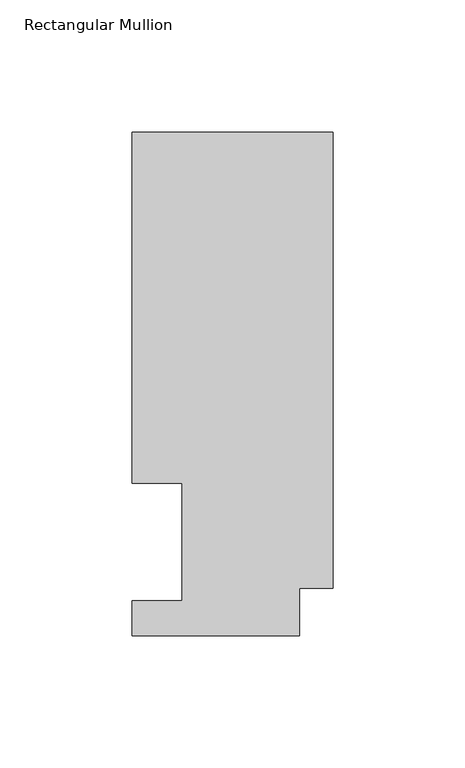
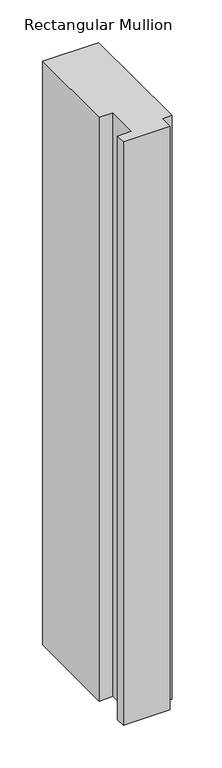
"""IFC4 building model written with IfcOpenShell, lengths in millimetres: member geometry, Rectangular Mullion."""

from ifc_helpers import new_model, si_unit, frame, origin, place, context, project, spatial, polyline, outline, extrude, source, transform, mapped, element, save


def rectangular_mullion_16c7396a(model_context):
    return source(origin(), model_context, "Body", "SweptSolid", [
        extrude(outline(polyline([(-76.2, 57.6460937), (-76.2, 190.5896937), (0.0, 190.5896937), (0.0, 17.9712937), (-12.7, 17.9712937), (-12.7, 0.0134937), (-76.2, 0.0134937), (-76.2, 13.1960937), (-57.15, 13.1960937), (-57.15, 57.6460937), (-76.2, 57.6460937)])), frame((0.0, 0.0, -838.2), z_axis=(0.0, 0.0, 1.0), x_axis=(1.0, 0.0, 0.0)), (0.0, 0.0, 1.0), 838.2),
    ])


if __name__ == "__main__":
    model = new_model("IFC4")
    model_context = context("Model", 3, world=origin())
    ifc_project = project(units=[si_unit("LENGTHUNIT", "METRE", prefix="MILLI")], contexts=[model_context])
    site = spatial("IfcSite", under=ifc_project)
    building = spatial("IfcBuilding", under=site)
    placement = place(None, origin())
    rectangular_mullion_shape = rectangular_mullion_16c7396a(model_context)
    element("IfcMember", 1, ObjectType="Rectangular Mullion", at=placement, inside=building, context=model_context, shape_type="MappedRepresentation", body=[
        mapped(rectangular_mullion_shape, transform((0.0, 0.0, 0.0), x_axis=(1.0, 0.0, 0.0), y_axis=(0.0, 1.0, 0.0), z_axis=(0.0, 0.0, 1.0))),
    ])
    save(model, "model.ifc")
